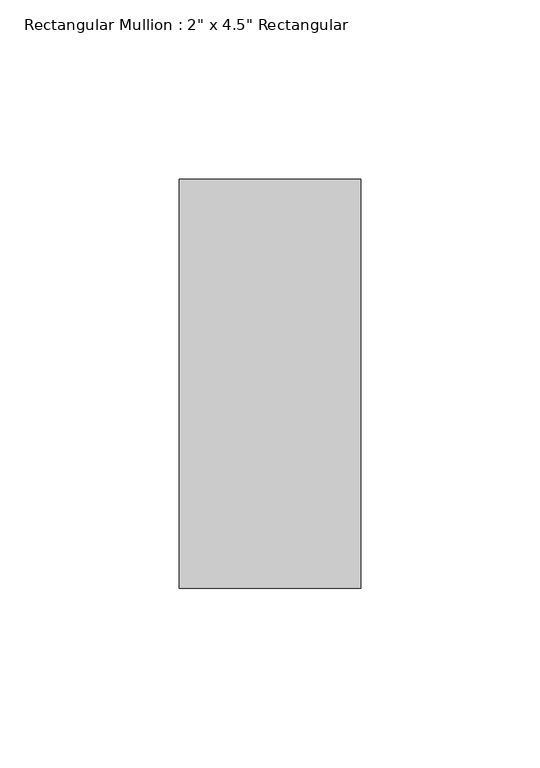
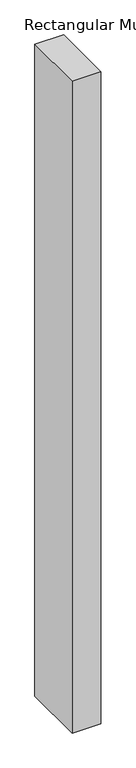
"""IFC4 building model written with IfcOpenShell, lengths in millimetres: member geometry."""

from ifc_helpers import new_model, si_unit, frame, origin, place, context, project, spatial, polyline, outline, extrude, source, transform, mapped, element, save


def member_91d787c0(model_context):
    return source(origin(), model_context, "Body", "SweptSolid", [
        extrude(outline(polyline([(0.0, 57.15), (0.0, -57.15), (-50.8, -57.15), (-50.8, 57.15), (0.0, 57.15)])), frame((0.0, 0.0, -1219.2), z_axis=(0.0, 0.0, 1.0), x_axis=(1.0, 0.0, 0.0)), (0.0, 0.0, 1.0), 1219.2),
    ])


if __name__ == "__main__":
    model = new_model("IFC4")
    model_context = context("Model", 3, world=origin())
    ifc_project = project(units=[si_unit("LENGTHUNIT", "METRE", prefix="MILLI")], contexts=[model_context])
    site = spatial("IfcSite", under=ifc_project)
    building = spatial("IfcBuilding", under=site)
    placement = place(None, origin())
    member_shape = member_91d787c0(model_context)
    element("IfcMember", 1, ObjectType="Rectangular Mullion : 2\" x 4.5\" Rectangular", at=placement, inside=building, context=model_context, shape_type="MappedRepresentation", body=[
        mapped(member_shape, transform((0.0, 0.0, 0.0), x_axis=(1.0, 0.0, 0.0), y_axis=(0.0, 1.0, 0.0), z_axis=(0.0, 0.0, 1.0))),
    ])
    save(model, "model.ifc")
